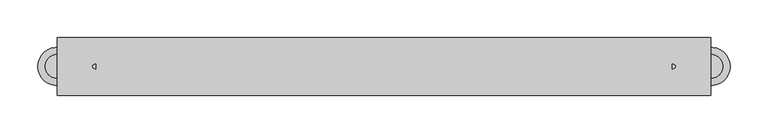
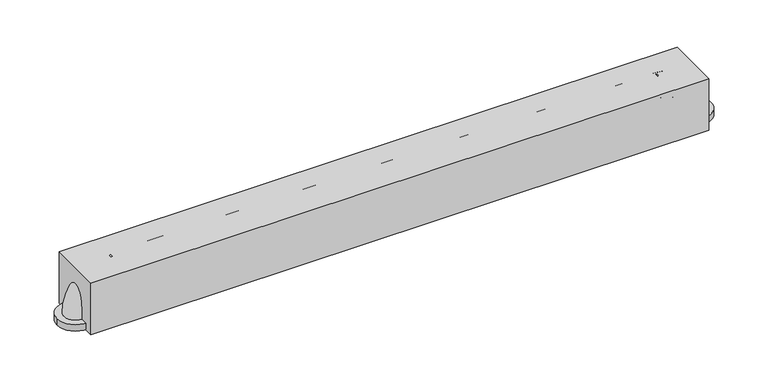
"""IFC4 building model written with IfcOpenShell, lengths in millimetres: proxy geometry."""

from ifc_helpers import new_model, si_unit, point, frame, frame_2d, origin, origin_with_axes, place, context, project, spatial, polyline, circle_curve, ellipse_curve, trimmed, segment, composite_curve, outline, extrude, source, transform, mapped, element, save
from ifc_brep_helpers import plane_surface, revolved_surface, advanced_brep


def specialty_equipment_d7a0b3ba(model_context):
    return source(origin(), model_context, "Body", "SolidModel", [
        advanced_brep(
        [(381.0, 15.875, 60.325), (381.0, -15.875, 60.325), (431.8, 15.875, 9.525), (431.8, -15.875, 9.525)],
        [
            (0, 1, circle_curve(frame((381.0, 0.0, 60.325), z_axis=(-1.0, 0.0, 0.0), x_axis=(0.0, -1.0, 0.0)), 15.875)),
            (1, 0, circle_curve(frame((381.0, 0.0, 60.325), z_axis=(-1.0, 0.0, 0.0), x_axis=(0.0, -1.0, 0.0)), 15.875)),
            (2, 3, circle_curve(frame((431.8, 0.0, 9.525), z_axis=(0.0, 0.0, -1.0), x_axis=(0.0, -1.0, 0.0)), 15.875)),
            (3, 2, circle_curve(frame((431.8, 0.0, 9.525), z_axis=(0.0, 0.0, -1.0), x_axis=(0.0, -1.0, 0.0)), 15.875)),
            (2, 0, circle_curve(frame((381.0, 15.875, 9.525), z_axis=(0.0, -1.0, 0.0), x_axis=(0.0, 0.0, 1.0)), 50.8)),
            (1, 3, circle_curve(frame((381.0, -15.875, 9.525), z_axis=(0.0, 1.0, 0.0), x_axis=(0.0, 0.0, 1.0)), 50.8)),
        ],
        [
            plane_surface(frame((381.0, 0.0, 60.325), z_axis=(-1.0, 0.0, 0.0), x_axis=(0.0, -1.0, 0.0))),
            plane_surface(frame((431.8, 0.0, 9.525), z_axis=(0.0, 0.0, -1.0), x_axis=(0.0, -1.0, 0.0))),
            revolved_surface(trimmed(ellipse_curve(frame((381.0, 0.0, 60.325), z_axis=(1.0, 0.0, 0.0), x_axis=(0.0, -1.0, 0.0)), 15.875, 15.875), [point((381.0, 15.875, 60.325))], [point((381.0, -15.875, 60.325))], True, "CARTESIAN"), (381.0, 0.0, 9.525), (0.0, -1.0, 0.0)),
            revolved_surface(trimmed(ellipse_curve(frame((381.0, 0.0, 60.325), z_axis=(1.0, 0.0, 0.0), x_axis=(0.0, -1.0, 0.0)), 15.875, 15.875), [point((381.0, -15.875, 60.325))], [point((381.0, 15.875, 60.325))], True, "CARTESIAN"), (381.0, 0.0, 9.525), (0.0, -1.0, 0.0)),
        ],
        [
            (0, [[1, 2]]),
            (1, [[3, 4]]),
            (2, [[-3, 5, -2, 6]]),
            (3, [[-4, -6, -1, -5]]),
        ],
    ),
        extrude(outline(composite_curve([segment(trimmed(circle_curve(frame_2d((431.8, 0.0)), 25.4), [point((457.2, 0.0))], [point((406.4, 0.0))], False, "CARTESIAN"), True, "CONTINUOUS"), segment(trimmed(circle_curve(frame_2d((431.8, 0.0)), 25.4), [point((406.4, 0.0))], [point((457.2, 0.0))], False, "CARTESIAN"), True, "CONTINUOUS")], self_intersect=False)), origin_with_axes(), (0.0, 0.0, 1.0), 9.525),
        advanced_brep(
        [(-381.0, 15.875, 60.325), (-381.0, -15.875, 60.325), (-431.8, 15.875, 9.525), (-431.8, -15.875, 9.525)],
        [
            (0, 1, circle_curve(frame((-381.0, 0.0, 60.325), z_axis=(1.0, 0.0, 0.0), x_axis=(0.0, -1.0, 0.0)), 15.875)),
            (1, 0, circle_curve(frame((-381.0, 0.0, 60.325), z_axis=(1.0, 0.0, 0.0), x_axis=(0.0, -1.0, 0.0)), 15.875)),
            (2, 3, circle_curve(frame((-431.8, 0.0, 9.525), z_axis=(0.0, 0.0, -1.0), x_axis=(0.0, -1.0, 0.0)), 15.875)),
            (3, 2, circle_curve(frame((-431.8, 0.0, 9.525), z_axis=(0.0, 0.0, -1.0), x_axis=(0.0, -1.0, 0.0)), 15.875)),
            (3, 1, circle_curve(frame((-381.0, -15.875, 9.525), z_axis=(0.0, 1.0, 0.0), x_axis=(0.0, 0.0, 1.0)), 50.8)),
            (0, 2, circle_curve(frame((-381.0, 15.875, 9.525), z_axis=(0.0, -1.0, 0.0), x_axis=(0.0, 0.0, 1.0)), 50.8)),
        ],
        [
            plane_surface(frame((-381.0, 0.0, 60.325), z_axis=(1.0, 0.0, 0.0), x_axis=(0.0, -1.0, 0.0))),
            plane_surface(frame((-431.8, 0.0, 9.525), z_axis=(0.0, 0.0, -1.0), x_axis=(0.0, -1.0, 0.0))),
            revolved_surface(trimmed(ellipse_curve(frame((-381.0, 0.0, 60.325), z_axis=(1.0, 0.0, 0.0), x_axis=(0.0, -1.0, 0.0)), 15.875, 15.875), [point((-381.0, 15.875, 60.325))], [point((-381.0, -15.875, 60.325))], True, "CARTESIAN"), (-381.0, 0.0, 9.525), (0.0, -1.0, 0.0)),
            revolved_surface(trimmed(ellipse_curve(frame((-381.0, 0.0, 60.325), z_axis=(1.0, 0.0, 0.0), x_axis=(0.0, -1.0, 0.0)), 15.875, 15.875), [point((-381.0, -15.875, 60.325))], [point((-381.0, 15.875, 60.325))], True, "CARTESIAN"), (-381.0, 0.0, 9.525), (0.0, -1.0, 0.0)),
        ],
        [
            (0, [[1, 2]]),
            (1, [[3, 4]]),
            (2, [[5, -1, 6, -4]]),
            (3, [[-6, -2, -5, -3]]),
        ],
    ),
        extrude(outline(composite_curve([segment(trimmed(circle_curve(frame_2d((-431.8, 0.0)), 25.4), [point((-457.2, 0.0))], [point((-406.4, 0.0))], False, "CARTESIAN"), True, "CONTINUOUS"), segment(trimmed(circle_curve(frame_2d((-431.8, 0.0)), 25.4), [point((-406.4, 0.0))], [point((-457.2, 0.0))], False, "CARTESIAN"), True, "CONTINUOUS")], self_intersect=False)), origin_with_axes(), (0.0, 0.0, 1.0), 9.525),
        extrude(outline(polyline([(431.8, -38.1), (-431.8, -38.1), (-431.8, 38.1), (431.8, 38.1), (431.8, -38.1)])), origin_with_axes(), (0.0, 0.0, 1.0), 76.2),
        extrude(outline(composite_curve([segment(trimmed(circle_curve(frame_2d((0.0, 60.325)), 15.875), [point((-15.875, 60.325))], [point((15.875, 60.325))], False, "CARTESIAN"), True, "CONTINUOUS"), segment(trimmed(circle_curve(frame_2d((0.0, 60.325)), 15.875), [point((15.875, 60.325))], [point((-15.875, 60.325))], False, "CARTESIAN"), True, "CONTINUOUS")], self_intersect=False)), frame((-381.0, 0.0, 0.0), z_axis=(1.0, 0.0, 0.0), x_axis=(0.0, 1.0, 0.0)), (0.0, 0.0, 1.0), 762.0),
    ])


if __name__ == "__main__":
    model = new_model("IFC4")
    model_context = context("Model", 3, world=origin())
    ifc_project = project(units=[si_unit("LENGTHUNIT", "METRE", prefix="MILLI")], contexts=[model_context])
    site = spatial("IfcSite", under=ifc_project)
    building = spatial("IfcBuilding", under=site)
    placement = place(None, origin())
    specialty_equipment_shape = specialty_equipment_d7a0b3ba(model_context)
    element("IfcBuildingElementProxy", 1, Name="Specialty Equipment", at=placement, inside=building, context=model_context, shape_type="MappedRepresentation", body=[
        mapped(specialty_equipment_shape, transform((0.0, 0.0, 0.0), x_axis=(1.0, 0.0, 0.0), y_axis=(0.0, 1.0, 0.0), z_axis=(0.0, 0.0, 1.0))),
    ])
    save(model, "model.ifc")
